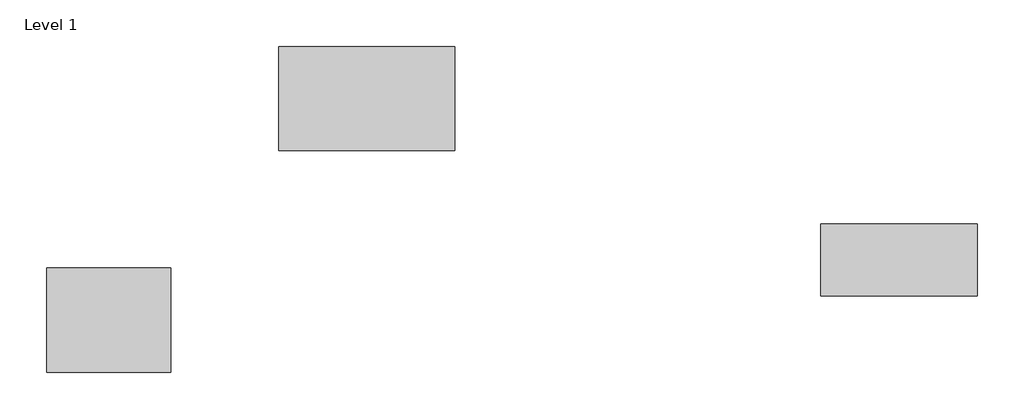
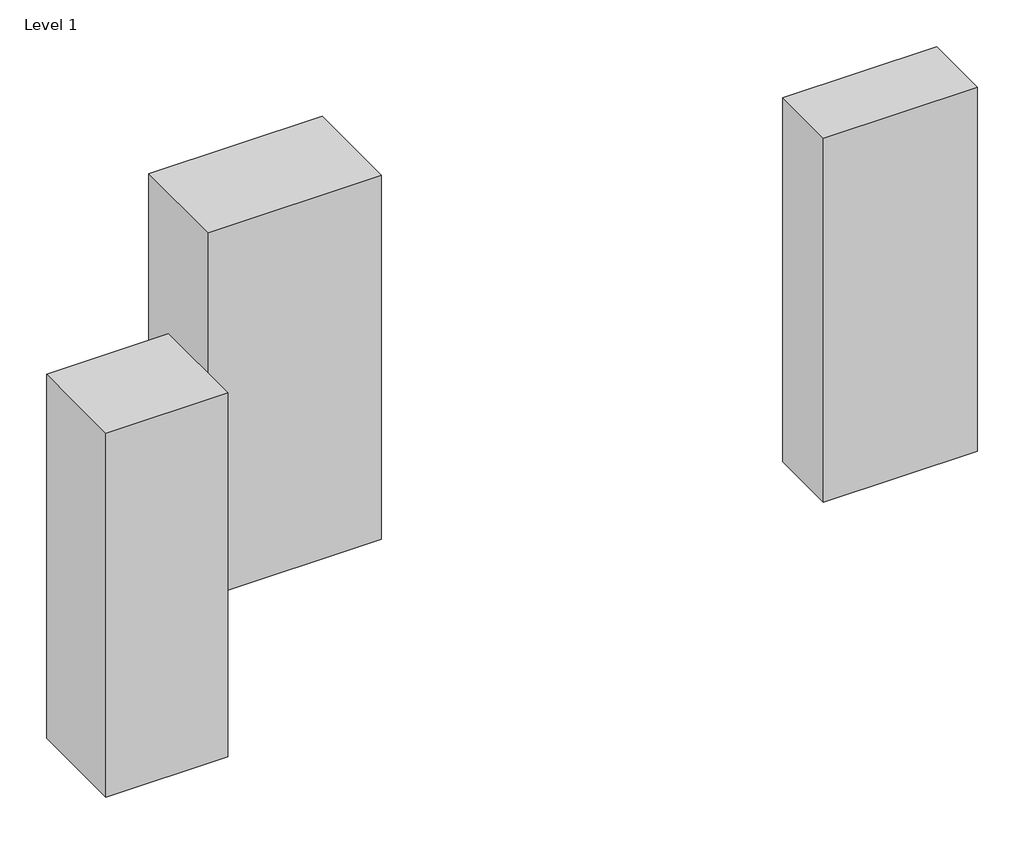
# One storey: 18 proxies.
"""IFC4 building model written with IfcOpenShell, lengths in millimetres."""

import ifcopenshell
import ifcopenshell.guid

model = None  # the IFC model being written
_history = None  # IfcOwnerHistory: only IFC2X3 demands one
_inside = {}  # id of a spatial element -> (the spatial element, [elements in it])
_under = {}  # id of a project, library or spatial element -> (it, [spatial elements below it])
_declared = {}  # id of a project -> (the project, [libraries it declares])
_typed = {}  # id of a type object -> (the type object, [elements of that type])
_made_of = {}  # id of a material, layer set ... -> (it, [elements and type objects made of it])


def new_model(schema):
    """Start an empty IFC model of exactly this schema.

    Asked for "IFC4X3", IfcOpenShell would pick the latest addendum, in which some entities
    have other attributes; the version numbers below select the first issue.
    IFC2X3 requires an IfcOwnerHistory on every rooted entity: one is made here for all.
    """
    global model, _history
    if schema == "IFC4X3":
        model = ifcopenshell.file(schema_version=(4, 3, 0, 0))
    else:
        model = ifcopenshell.file(schema=schema)
    _inside.clear()
    _under.clear()
    _declared.clear()
    _typed.clear()
    _made_of.clear()
    _history = None
    if model.schema == "IFC2X3":
        org = make("IfcOrganization", Name="unknown")
        user = make(
            "IfcPersonAndOrganization",
            ThePerson=make("IfcPerson", FamilyName="unknown"),
            TheOrganization=org,
        )
        app = make(
            "IfcApplication",
            ApplicationDeveloper=org,
            Version="unknown",
            ApplicationFullName="unknown",
            ApplicationIdentifier="unknown",
        )
        _history = make(
            "IfcOwnerHistory",
            OwningUser=user,
            OwningApplication=app,
            ChangeAction="ADDED",
            CreationDate=0,
        )
    return model


def make(cls, **values):
    """One entity of the class cls with the attributes given. An attribute that is None is left unset."""
    return model.create_entity(
        cls, **{name: value for name, value in values.items() if value is not None}
    )


def rooted(cls, **values):
    """An entity with a GlobalId (a new one), such as an element, a storey or a relation."""
    return make(cls, GlobalId=ifcopenshell.guid.new(), OwnerHistory=_history, **values)


def si_unit(unit_type, name, prefix=None):
    """IfcSIUnit, for example si_unit("LENGTHUNIT", "METRE", prefix="MILLI")."""
    return make("IfcSIUnit", UnitType=unit_type, Prefix=prefix, Name=name)


def assignment(units):
    """IfcUnitAssignment: the units of a project."""
    return None if units is None else make("IfcUnitAssignment", Units=units)


def point(xyz):
    """IfcCartesianPoint."""
    return None if xyz is None else make("IfcCartesianPoint", Coordinates=xyz)


def direction(xyz):
    """IfcDirection."""
    return None if xyz is None else make("IfcDirection", DirectionRatios=xyz)


def frame(location, z_axis=None, x_axis=None):
    """IfcAxis2Placement3D, a coordinate frame: its origin and axes. An axis left out is left unset."""
    return make(
        "IfcAxis2Placement3D",
        Location=point(location),
        Axis=direction(z_axis),
        RefDirection=direction(x_axis),
    )


def origin():
    """The frame at (0, 0, 0) with its axes left unset."""
    return frame((0.0, 0.0, 0.0))


def place(relative_to, where):
    """IfcLocalPlacement: puts the frame where relative to a parent placement (None: the world)."""
    return make(
        "IfcLocalPlacement", PlacementRelTo=relative_to, RelativePlacement=where
    )


def context(
    kind, dimensions, precision=None, world=None, true_north=None, identifier=None
):
    """IfcGeometricRepresentationContext, for example the 3D "Model" context."""
    return make(
        "IfcGeometricRepresentationContext",
        ContextIdentifier=identifier,
        ContextType=kind,
        CoordinateSpaceDimension=dimensions,
        Precision=precision,
        WorldCoordinateSystem=world,
        TrueNorth=true_north,
    )


def project(units=None, contexts=None):
    """IfcProject with its units and contexts."""
    return rooted(
        "IfcProject",
        Name="project",
        RepresentationContexts=contexts,
        UnitsInContext=assignment(units),
    )


def spatial(cls, under=None, at=None, **own):
    """A site, building, storey or space (cls), placed at a placement, below another one or the project."""
    s = rooted(cls, ObjectPlacement=at, **own)
    if under is not None:
        _under.setdefault(under.id(), (under, []))[1].append(s)
    return s


def point_list(points):
    """IfcCartesianPointList2D or 3D."""
    cls = (
        "IfcCartesianPointList2D" if len(points[0]) == 2 else "IfcCartesianPointList3D"
    )
    return make(cls, CoordList=points)


def triangles(points, corners, closed=None, point_numbers=None):
    """IfcTriangulatedFaceSet: each triangle names its three corners, points numbered from 1."""
    return make(
        "IfcTriangulatedFaceSet",
        Coordinates=point_list(points),
        Closed=closed,
        CoordIndex=corners,
        PnIndex=point_numbers,
    )


def shape(context_of_items, identifier, shape_type, items):
    """IfcShapeRepresentation: the items that make up one representation, for example the "Body"."""
    return make(
        "IfcShapeRepresentation",
        ContextOfItems=context_of_items,
        RepresentationIdentifier=identifier,
        RepresentationType=shape_type,
        Items=items,
    )


def made_of(thing, what):
    """Note that an element or type object is made of a material, layer set ...; save() writes the relation."""
    if what is not None:
        _made_of.setdefault(what.id(), (what, []))[1].append(thing)
    return thing


def element(
    cls,
    number,
    at=None,
    inside=None,
    cuts=None,
    type_object=None,
    material=None,
    context=None,
    identifier="Body",
    shape_type=None,
    held_by="IfcProductDefinitionShape",
    body=None,
    shapes=None,
    **own,
):
    """One element of the class cls, such as IfcWall. Its Tag is "e" and its number.

    at: its placement. inside: the storey or other place that contains it. cuts: it is an
    opening in that element (IfcRelVoidsElement). A single representation is given by context,
    identifier, shape_type and body (its items); several are given by shapes. held_by: the class
    of the entity that holds the representations. save() writes the other relations.
    """
    e = rooted(cls, Tag="e%d" % number, ObjectPlacement=at, **own)
    if body is not None:
        shapes = [shape(context, identifier, shape_type, body)]
    if shapes is not None:
        e.Representation = make(held_by, Representations=shapes)
    if inside is not None:
        _inside.setdefault(inside.id(), (inside, []))[1].append(e)
    if cuts is not None:
        rooted(
            "IfcRelVoidsElement", RelatingBuildingElement=cuts, RelatedOpeningElement=e
        )
    if type_object is not None:
        _typed.setdefault(type_object.id(), (type_object, []))[1].append(e)
    return made_of(e, material)


def aggregate(whole, parts):
    """IfcRelAggregates: a whole, such as a stair, and the parts it consists of."""
    return rooted("IfcRelAggregates", RelatingObject=whole, RelatedObjects=parts)


def save(model, path):
    """Write the relations noted so far, then the file.

    IfcRelAggregates (storeys below a building ...), IfcRelContainedInSpatialStructure (elements
    in a storey), IfcRelDefinesByType, IfcRelAssociatesMaterial and IfcRelDeclares: one each for
    every whole, place, type object, material and project.
    """
    for whole, parts in _under.values():
        aggregate(whole, parts)
    for where, things in _inside.values():
        rooted(
            "IfcRelContainedInSpatialStructure",
            RelatedElements=things,
            RelatingStructure=where,
        )
    for kind, things in _typed.values():
        rooted("IfcRelDefinesByType", RelatedObjects=things, RelatingType=kind)
    for what, things in _made_of.values():
        rooted("IfcRelAssociatesMaterial", RelatedObjects=things, RelatingMaterial=what)
    for by, libraries in _declared.values():
        rooted("IfcRelDeclares", RelatingContext=by, RelatedDefinitions=libraries)
    model.write(path)


model = new_model("IFC4")

# Units and contexts
model_context = context("Model", 3, world=origin())
ifc_project = project(units=[si_unit("LENGTHUNIT", "METRE", prefix="MILLI")], contexts=[model_context])

# Site, building, storey
site = spatial("IfcSite", under=ifc_project)
building = spatial("IfcBuilding", under=site)
storey = spatial("IfcBuildingStorey", under=building, Name="Level 1", Elevation=0.0)

# Proxies
placement = place(None, origin())
element("IfcBuildingElementProxy", 1, Name="Generic Models", at=placement, inside=storey, context=model_context, shape_type="Tessellation", body=[
    triangles([(514.4441803, 1527.7363998, 0.0), (514.4441803, 1527.7363998, -1524.0), (514.4441803, 1121.3363514, 0.0), (514.4441803, 1121.3363514, -1524.0), (31.8441886, 1527.7363998, -1524.0), (31.8441886, 1121.3363514, 0.0), (31.8441886, 1121.3363514, -1524.0), (31.8441886, 1527.7363998, 0.0)], [[2, 7, 5], [4, 7, 2], [8, 3, 1], [6, 3, 8], [4, 6, 7], [3, 6, 4], [7, 8, 5], [6, 8, 7], [5, 1, 2], [8, 1, 5], [2, 3, 4], [1, 3, 2]]),
])
element("IfcBuildingElementProxy", 2, Name="Generic Models", at=placement, inside=storey, context=model_context, shape_type="Tessellation", body=[
    triangles([(1621.097707, 2390.0456841, 0.0), (1621.097707, 2390.0456841, -1524.0), (1621.097707, 1983.6456356, 0.0), (1621.097707, 1983.6456356, -1524.0), (935.297707, 2390.0456841, -1524.0), (935.297707, 1983.6456356, 0.0), (935.297707, 1983.6456356, -1524.0), (935.297707, 2390.0456841, 0.0)], [[2, 7, 5], [4, 7, 2], [8, 3, 1], [6, 3, 8], [4, 6, 7], [3, 6, 4], [7, 8, 5], [6, 8, 7], [5, 1, 2], [8, 1, 5], [2, 3, 4], [1, 3, 2]]),
])
element("IfcBuildingElementProxy", 3, Name="Generic Models", at=placement, inside=storey, context=model_context, shape_type="Tessellation", body=[
    triangles([(3654.1127129, 1697.8831364, 0.0), (3654.1127129, 1697.8831364, -1524.0), (3654.1127129, 1418.4831848, 0.0), (3654.1127129, 1418.4831848, -1524.0), (3044.5127129, 1697.8831364, -1524.0), (3044.5127129, 1418.4831848, 0.0), (3044.5127129, 1418.4831848, -1524.0), (3044.5127129, 1697.8831364, 0.0)], [[2, 7, 5], [4, 7, 2], [8, 3, 1], [6, 3, 8], [4, 6, 7], [3, 6, 4], [7, 8, 5], [6, 8, 7], [5, 1, 2], [8, 1, 5], [2, 3, 4], [1, 3, 2]]),
])
element("IfcBuildingElementProxy", 4, Name="Generic Models", at=placement, inside=storey, context=model_context, shape_type="Tessellation", body=[
    triangles([(514.4441803, 1527.7363998, 0.0), (514.4441803, 1527.7363998, -1524.0), (514.4441803, 1121.3363514, 0.0), (514.4441803, 1121.3363514, -1524.0), (31.8441886, 1527.7363998, -1524.0), (31.8441886, 1121.3363514, 0.0), (31.8441886, 1121.3363514, -1524.0), (31.8441886, 1527.7363998, 0.0)], [[2, 7, 5], [4, 7, 2], [8, 3, 1], [6, 3, 8], [4, 6, 7], [3, 6, 4], [7, 8, 5], [6, 8, 7], [5, 1, 2], [8, 1, 5], [2, 3, 4], [1, 3, 2]]),
])
element("IfcBuildingElementProxy", 5, Name="Generic Models", at=placement, inside=storey, context=model_context, shape_type="Tessellation", body=[
    triangles([(1621.097707, 2390.0456841, 0.0), (1621.097707, 2390.0456841, -1524.0), (1621.097707, 1983.6456356, 0.0), (1621.097707, 1983.6456356, -1524.0), (935.297707, 2390.0456841, -1524.0), (935.297707, 1983.6456356, 0.0), (935.297707, 1983.6456356, -1524.0), (935.297707, 2390.0456841, 0.0)], [[2, 7, 5], [4, 7, 2], [8, 3, 1], [6, 3, 8], [4, 6, 7], [3, 6, 4], [7, 8, 5], [6, 8, 7], [5, 1, 2], [8, 1, 5], [2, 3, 4], [1, 3, 2]]),
])
element("IfcBuildingElementProxy", 6, Name="Generic Models", at=placement, inside=storey, context=model_context, shape_type="Tessellation", body=[
    triangles([(3654.1127129, 1697.8831364, 0.0), (3654.1127129, 1697.8831364, -1524.0), (3654.1127129, 1418.4831848, 0.0), (3654.1127129, 1418.4831848, -1524.0), (3044.5127129, 1697.8831364, -1524.0), (3044.5127129, 1418.4831848, 0.0), (3044.5127129, 1418.4831848, -1524.0), (3044.5127129, 1697.8831364, 0.0)], [[2, 7, 5], [4, 7, 2], [8, 3, 1], [6, 3, 8], [4, 6, 7], [3, 6, 4], [7, 8, 5], [6, 8, 7], [5, 1, 2], [8, 1, 5], [2, 3, 4], [1, 3, 2]]),
])
element("IfcBuildingElementProxy", 7, Name="Generic Models", at=placement, inside=storey, context=model_context, shape_type="Tessellation", body=[
    triangles([(514.4441803, 1527.7363998, 0.0), (514.4441803, 1527.7363998, -1524.0), (514.4441803, 1121.3363514, 0.0), (514.4441803, 1121.3363514, -1524.0), (31.8441886, 1527.7363998, -1524.0), (31.8441886, 1121.3363514, 0.0), (31.8441886, 1121.3363514, -1524.0), (31.8441886, 1527.7363998, 0.0)], [[2, 7, 5], [4, 7, 2], [8, 3, 1], [6, 3, 8], [4, 6, 7], [3, 6, 4], [7, 8, 5], [6, 8, 7], [5, 1, 2], [8, 1, 5], [2, 3, 4], [1, 3, 2]]),
])
element("IfcBuildingElementProxy", 8, Name="Generic Models", at=placement, inside=storey, context=model_context, shape_type="Tessellation", body=[
    triangles([(1621.097707, 2390.0456841, 0.0), (1621.097707, 2390.0456841, -1524.0), (1621.097707, 1983.6456356, 0.0), (1621.097707, 1983.6456356, -1524.0), (935.297707, 2390.0456841, -1524.0), (935.297707, 1983.6456356, 0.0), (935.297707, 1983.6456356, -1524.0), (935.297707, 2390.0456841, 0.0)], [[2, 7, 5], [4, 7, 2], [8, 3, 1], [6, 3, 8], [4, 6, 7], [3, 6, 4], [7, 8, 5], [6, 8, 7], [5, 1, 2], [8, 1, 5], [2, 3, 4], [1, 3, 2]]),
])
element("IfcBuildingElementProxy", 9, Name="Generic Models", at=placement, inside=storey, context=model_context, shape_type="Tessellation", body=[
    triangles([(3654.1127129, 1697.8831364, 0.0), (3654.1127129, 1697.8831364, -1524.0), (3654.1127129, 1418.4831848, 0.0), (3654.1127129, 1418.4831848, -1524.0), (3044.5127129, 1697.8831364, -1524.0), (3044.5127129, 1418.4831848, 0.0), (3044.5127129, 1418.4831848, -1524.0), (3044.5127129, 1697.8831364, 0.0)], [[2, 7, 5], [4, 7, 2], [8, 3, 1], [6, 3, 8], [4, 6, 7], [3, 6, 4], [7, 8, 5], [6, 8, 7], [5, 1, 2], [8, 1, 5], [2, 3, 4], [1, 3, 2]]),
])
element("IfcBuildingElementProxy", 10, Name="Generic Models", at=placement, inside=storey, context=model_context, shape_type="Tessellation", body=[
    triangles([(514.4441803, 1527.7363998, 0.0), (514.4441803, 1527.7363998, -1524.0), (514.4441803, 1121.3363514, 0.0), (514.4441803, 1121.3363514, -1524.0), (31.8441886, 1527.7363998, -1524.0), (31.8441886, 1121.3363514, 0.0), (31.8441886, 1121.3363514, -1524.0), (31.8441886, 1527.7363998, 0.0)], [[2, 7, 5], [4, 7, 2], [8, 3, 1], [6, 3, 8], [4, 6, 7], [3, 6, 4], [7, 8, 5], [6, 8, 7], [5, 1, 2], [8, 1, 5], [2, 3, 4], [1, 3, 2]]),
])
element("IfcBuildingElementProxy", 11, Name="Generic Models", at=placement, inside=storey, context=model_context, shape_type="Tessellation", body=[
    triangles([(1621.097707, 2390.0456841, 0.0), (1621.097707, 2390.0456841, -1524.0), (1621.097707, 1983.6456356, 0.0), (1621.097707, 1983.6456356, -1524.0), (935.297707, 2390.0456841, -1524.0), (935.297707, 1983.6456356, 0.0), (935.297707, 1983.6456356, -1524.0), (935.297707, 2390.0456841, 0.0)], [[2, 7, 5], [4, 7, 2], [8, 3, 1], [6, 3, 8], [4, 6, 7], [3, 6, 4], [7, 8, 5], [6, 8, 7], [5, 1, 2], [8, 1, 5], [2, 3, 4], [1, 3, 2]]),
])
element("IfcBuildingElementProxy", 12, Name="Generic Models", at=placement, inside=storey, context=model_context, shape_type="Tessellation", body=[
    triangles([(3654.1127129, 1697.8831364, 0.0), (3654.1127129, 1697.8831364, -1524.0), (3654.1127129, 1418.4831848, 0.0), (3654.1127129, 1418.4831848, -1524.0), (3044.5127129, 1697.8831364, -1524.0), (3044.5127129, 1418.4831848, 0.0), (3044.5127129, 1418.4831848, -1524.0), (3044.5127129, 1697.8831364, 0.0)], [[2, 7, 5], [4, 7, 2], [8, 3, 1], [6, 3, 8], [4, 6, 7], [3, 6, 4], [7, 8, 5], [6, 8, 7], [5, 1, 2], [8, 1, 5], [2, 3, 4], [1, 3, 2]]),
])
element("IfcBuildingElementProxy", 13, Name="Generic Models", at=placement, inside=storey, context=model_context, shape_type="Tessellation", body=[
    triangles([(514.4441803, 1527.7363998, 0.0), (514.4441803, 1527.7363998, -1524.0), (514.4441803, 1121.3363514, 0.0), (514.4441803, 1121.3363514, -1524.0), (31.8441886, 1527.7363998, -1524.0), (31.8441886, 1121.3363514, 0.0), (31.8441886, 1121.3363514, -1524.0), (31.8441886, 1527.7363998, 0.0)], [[2, 7, 5], [4, 7, 2], [8, 3, 1], [6, 3, 8], [4, 6, 7], [3, 6, 4], [7, 8, 5], [6, 8, 7], [5, 1, 2], [8, 1, 5], [2, 3, 4], [1, 3, 2]]),
])
element("IfcBuildingElementProxy", 14, Name="Generic Models", at=placement, inside=storey, context=model_context, shape_type="Tessellation", body=[
    triangles([(1621.097707, 2390.0456841, 0.0), (1621.097707, 2390.0456841, -1524.0), (1621.097707, 1983.6456356, 0.0), (1621.097707, 1983.6456356, -1524.0), (935.297707, 2390.0456841, -1524.0), (935.297707, 1983.6456356, 0.0), (935.297707, 1983.6456356, -1524.0), (935.297707, 2390.0456841, 0.0)], [[2, 7, 5], [4, 7, 2], [8, 3, 1], [6, 3, 8], [4, 6, 7], [3, 6, 4], [7, 8, 5], [6, 8, 7], [5, 1, 2], [8, 1, 5], [2, 3, 4], [1, 3, 2]]),
])
element("IfcBuildingElementProxy", 15, Name="Generic Models", at=placement, inside=storey, context=model_context, shape_type="Tessellation", body=[
    triangles([(3654.1127129, 1697.8831364, 0.0), (3654.1127129, 1697.8831364, -1524.0), (3654.1127129, 1418.4831848, 0.0), (3654.1127129, 1418.4831848, -1524.0), (3044.5127129, 1697.8831364, -1524.0), (3044.5127129, 1418.4831848, 0.0), (3044.5127129, 1418.4831848, -1524.0), (3044.5127129, 1697.8831364, 0.0)], [[2, 7, 5], [4, 7, 2], [8, 3, 1], [6, 3, 8], [4, 6, 7], [3, 6, 4], [7, 8, 5], [6, 8, 7], [5, 1, 2], [8, 1, 5], [2, 3, 4], [1, 3, 2]]),
])
element("IfcBuildingElementProxy", 16, Name="Generic Models", at=placement, inside=storey, context=model_context, shape_type="Tessellation", body=[
    triangles([(514.4441803, 1527.7363998, 0.0), (514.4441803, 1527.7363998, -1524.0), (514.4441803, 1121.3363514, 0.0), (514.4441803, 1121.3363514, -1524.0), (31.8441886, 1527.7363998, -1524.0), (31.8441886, 1121.3363514, 0.0), (31.8441886, 1121.3363514, -1524.0), (31.8441886, 1527.7363998, 0.0)], [[2, 7, 5], [4, 7, 2], [8, 3, 1], [6, 3, 8], [4, 6, 7], [3, 6, 4], [7, 8, 5], [6, 8, 7], [5, 1, 2], [8, 1, 5], [2, 3, 4], [1, 3, 2]]),
])
element("IfcBuildingElementProxy", 17, Name="Generic Models", at=placement, inside=storey, context=model_context, shape_type="Tessellation", body=[
    triangles([(1621.097707, 2390.0456841, 0.0), (1621.097707, 2390.0456841, -1524.0), (1621.097707, 1983.6456356, 0.0), (1621.097707, 1983.6456356, -1524.0), (935.297707, 2390.0456841, -1524.0), (935.297707, 1983.6456356, 0.0), (935.297707, 1983.6456356, -1524.0), (935.297707, 2390.0456841, 0.0)], [[2, 7, 5], [4, 7, 2], [8, 3, 1], [6, 3, 8], [4, 6, 7], [3, 6, 4], [7, 8, 5], [6, 8, 7], [5, 1, 2], [8, 1, 5], [2, 3, 4], [1, 3, 2]]),
])
element("IfcBuildingElementProxy", 18, Name="Generic Models", at=placement, inside=storey, context=model_context, shape_type="Tessellation", body=[
    triangles([(3654.1127129, 1697.8831364, 0.0), (3654.1127129, 1697.8831364, -1524.0), (3654.1127129, 1418.4831848, 0.0), (3654.1127129, 1418.4831848, -1524.0), (3044.5127129, 1697.8831364, -1524.0), (3044.5127129, 1418.4831848, 0.0), (3044.5127129, 1418.4831848, -1524.0), (3044.5127129, 1697.8831364, 0.0)], [[2, 7, 5], [4, 7, 2], [8, 3, 1], [6, 3, 8], [4, 6, 7], [3, 6, 4], [7, 8, 5], [6, 8, 7], [5, 1, 2], [8, 1, 5], [2, 3, 4], [1, 3, 2]]),
])

save(model, "model.ifc")
